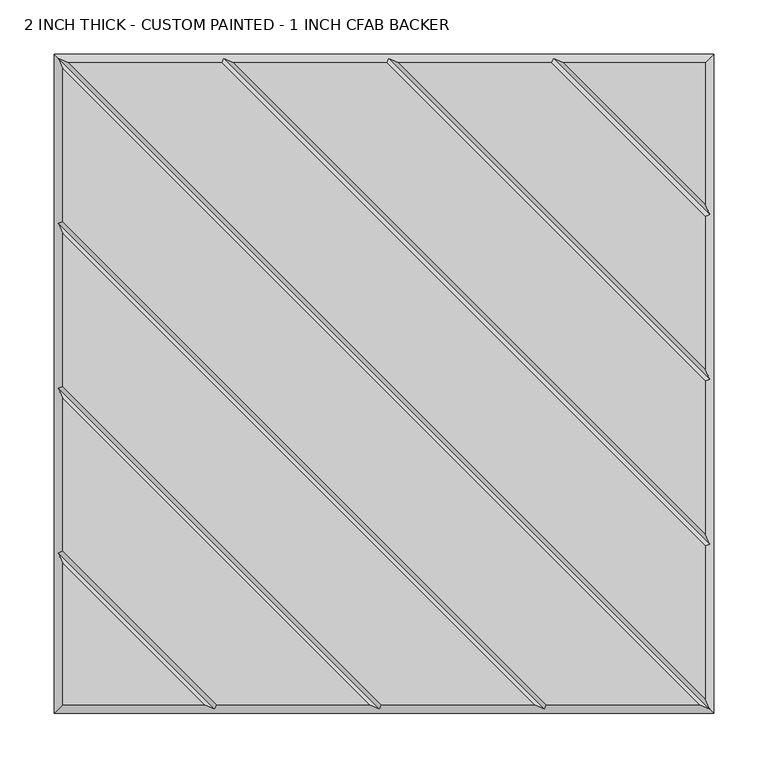
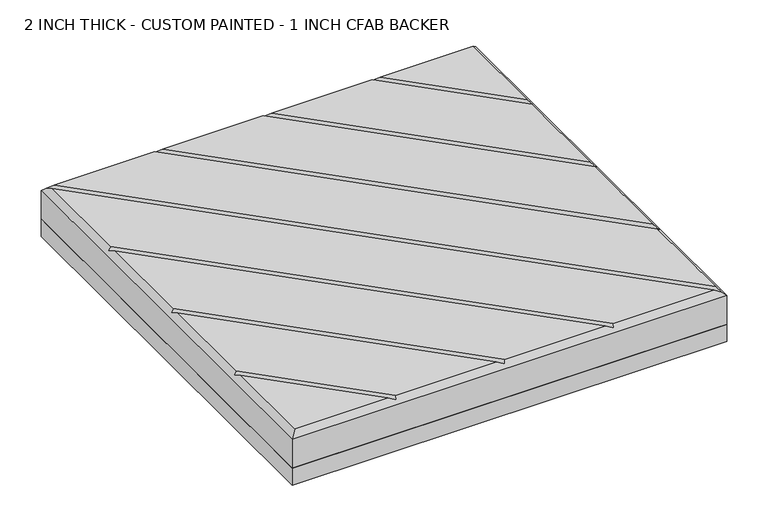
"""IFC4 building model written with IfcOpenShell, lengths in millimetres: proxy geometry, 2 INCH THICK - CUSTOM PAINTED - 1 INCH CFAB BACKER."""

from ifc_helpers import new_model, si_unit, frame, origin, place, context, project, spatial, polyline, outline, extrude, faceted_brep, source, transform, mapped, element, save


def proxy_2_inch_thick_custom_painted_1_inch_cfab_backer_d792c12b(model_context):
    return source(origin(), model_context, "Body", "SolidModel", [
        extrude(outline(polyline([(-304.8, 304.8), (304.8, 304.8), (304.8, -304.8), (-304.8, -304.8), (-304.8, 304.8)])), frame((0.0, 0.0, -25.4), z_axis=(0.0, 0.0, 1.0), x_axis=(1.0, 0.0, 0.0)), (0.0, 0.0, 1.0), 25.4),
        faceted_brep([(-291.1414386, 296.799, 50.8), (296.799, -291.1414386, 50.8), (296.799, -150.0565868, 50.8), (-150.0565868, 296.799, 50.8), (291.1414386, -296.799, 50.8), (-296.799, 291.1414386, 50.8), (-296.799, 150.0565868, 50.8), (150.0565868, -296.799, 50.8), (138.741464, -296.799, 50.8), (-296.799, 138.741464, 50.8), (-296.799, -2.3434132, 50.8), (-2.3434132, -296.799, 50.8), (-13.658536, -296.799, 50.8), (-296.799, -13.658536, 50.8), (-296.799, -154.7434132, 50.8), (-154.7434132, -296.799, 50.8), (-296.799, -166.058536, 50.8), (-296.799, -296.799, 50.8), (-166.058536, -296.799, 50.8), (-138.741464, 296.799, 50.8), (296.799, -138.741464, 50.8), (296.799, 2.3434132, 50.8), (2.3434132, 296.799, 50.8), (13.658536, 296.799, 50.8), (296.799, 13.658536, 50.8), (296.799, 154.7434132, 50.8), (154.7434132, 296.799, 50.8), (296.799, 296.799, 50.8), (166.058536, 296.799, 50.8), (296.799, 166.058536, 50.8), (-304.8, 304.8, 0.0), (304.8, 304.8, 0.0), (304.8, -304.8, 0.0), (-304.8, -304.8, 0.0), (-304.8, -304.8, 42.799), (-304.8, 304.8, 42.799), (304.8, -304.8, 42.799), (304.8, 304.8, 42.799), (-300.7995, 300.7995, 46.7995), (-148.3995254, 300.7995, 46.7995), (4.0004746, 300.7995, 46.7995), (156.4004746, 300.7995, 46.7995), (-300.7995, -156.4004746, 46.7995), (-300.7995, -4.0004746, 46.7995), (-300.7995, 148.3995254, 46.7995), (300.7995, -300.7995, 46.7995), (148.3995254, -300.7995, 46.7995), (-4.0004746, -300.7995, 46.7995), (-156.4004746, -300.7995, 46.7995), (300.7995, 156.4004746, 46.7995), (300.7995, 4.0004746, 46.7995), (300.7995, -148.3995254, 46.7995)], [[[0, 1, 2, 3]], [[4, 5, 6, 7]], [[8, 9, 10, 11]], [[12, 13, 14, 15]], [[16, 17, 18]], [[19, 20, 21, 22]], [[23, 24, 25, 26]], [[27, 28, 29]], [[30, 31, 32, 33]], [[30, 33, 34, 35]], [[33, 32, 36, 34]], [[32, 31, 37, 36]], [[31, 30, 35, 37]], [[27, 37, 35, 38, 0, 3, 39, 19, 22, 40, 23, 26, 41, 28]], [[34, 17, 16, 42, 14, 13, 43, 10, 9, 44, 6, 5, 38, 35]], [[17, 34, 36, 45, 4, 7, 46, 8, 11, 47, 12, 15, 48, 18]], [[37, 27, 29, 49, 25, 24, 50, 21, 20, 51, 2, 1, 45, 36]], [[38, 45, 1, 0]], [[45, 38, 5, 4]], [[44, 46, 7, 6]], [[46, 44, 9, 8]], [[43, 47, 11, 10]], [[47, 43, 13, 12]], [[42, 48, 15, 14]], [[48, 42, 16, 18]], [[51, 39, 3, 2]], [[39, 51, 20, 19]], [[50, 40, 22, 21]], [[40, 50, 24, 23]], [[49, 41, 26, 25]], [[41, 49, 29, 28]]]),
    ])


if __name__ == "__main__":
    model = new_model("IFC4")
    model_context = context("Model", 3, world=origin())
    ifc_project = project(units=[si_unit("LENGTHUNIT", "METRE", prefix="MILLI")], contexts=[model_context])
    site = spatial("IfcSite", under=ifc_project)
    building = spatial("IfcBuilding", under=site)
    placement = place(None, origin())
    proxy_2_inch_thick_custom_painted_1_inch_cfab_backer_shape = proxy_2_inch_thick_custom_painted_1_inch_cfab_backer_d792c12b(model_context)
    element("IfcBuildingElementProxy", 1, Name="2 INCH THICK - CUSTOM PAINTED - 1 INCH CFAB BACKER", ObjectType="2 INCH THICK - CUSTOM PAINTED - 1 INCH CFAB BACKER", at=placement, inside=building, context=model_context, shape_type="MappedRepresentation", body=[
        mapped(proxy_2_inch_thick_custom_painted_1_inch_cfab_backer_shape, transform((0.0, 0.0, 0.0), x_axis=(1.0, 0.0, 0.0), y_axis=(0.0, 1.0, 0.0), z_axis=(0.0, 0.0, 1.0))),
    ])
    save(model, "model.ifc")
